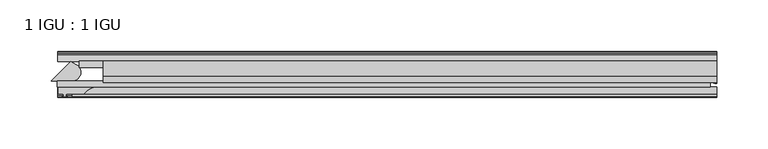
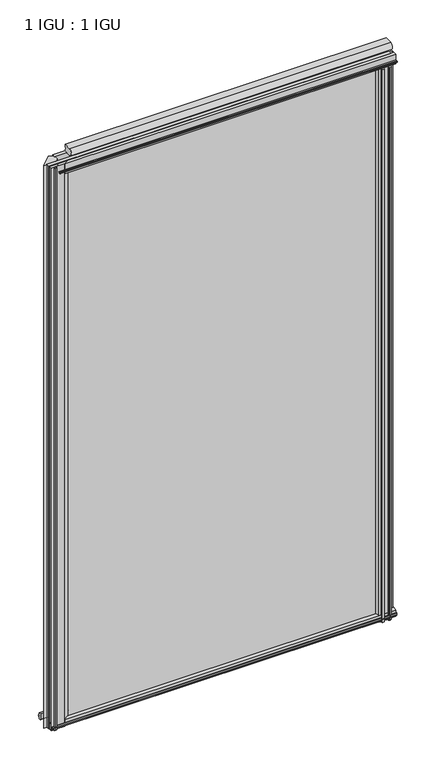
"""IFC4 building model written with IfcOpenShell, lengths in millimetres: plate geometry, 1 IGU : 1 IGU."""

from ifc_helpers import new_model, si_unit, point, frame, frame_2d, origin, place, context, project, spatial, polyline, circle_curve, ellipse_curve, trimmed, segment, composite_curve, outline, extrude, source, transform, mapped, element, save
from ifc_brep_helpers import plane_surface, cylinder_surface, revolved_surface, extruded_surface, advanced_brep


def plate_1_igu_1_igu_a3791db0(model_context):
    return source(origin(), model_context, "Body", "SolidModel", [
        extrude(outline(polyline([(-321.2703124, -38.6468937), (314.3249999, -38.6468937), (314.3249999, -44.9460938), (-321.2703124, -44.9460938), (-321.2703124, -38.6468937)])), frame((0.0, 0.0, -12.7), z_axis=(0.0, 0.0, 1.0), x_axis=(1.0, 0.0, 0.0)), (0.0, 0.0, 1.0), 1106.5764186),
        extrude(outline(polyline([(-299.9382812, -19.5460937), (314.3249999, -19.5460937), (314.3249999, -25.8960938), (-299.9382812, -25.8960938), (-299.9382812, -19.5460937)])), frame((0.0, 0.0, -12.7), z_axis=(0.0, 0.0, 1.0), x_axis=(1.0, 0.0, 0.0)), (0.0, 0.0, 1.0), 1106.5764186),
        extrude(outline(composite_curve([segment(trimmed(circle_curve(frame_2d((-306.7623353, -30.324123)), 8.3601973), [point((-300.5949226, -24.6800183))], [point((-305.9721541, -38.6468937))], False, "CARTESIAN"), True, "CONTINUOUS"), segment(polyline([(-305.9721541, -38.6468937), (-327.0757999, -38.6468937), (-308.3468028, -19.9178967), (-303.54423, -22.8189613)]), True, "CONTINUOUS"), segment(trimmed(circle_curve(frame_2d((-305.8354261, -29.7174148)), 7.2689917), [point((-303.54423, -22.8189613))], [point((-300.5949226, -24.6800183))], False, "CARTESIAN"), True, "CONTINUOUS")], self_intersect=False)), frame((0.0, 0.0, -12.7), z_axis=(0.0, 0.0, 1.0), x_axis=(1.0, 0.0, 0.0)), (0.0, 0.0, 1.0), 1106.5764186),
        advanced_brep(
        [(320.6749999, -21.1709383, -12.4587), (320.6749999, -41.5384061, -12.4587), (313.1526628, -32.2460938, -12.4587), (314.3249999, -25.8452938, -12.4587), (314.3249999, -19.5460938, -12.4587), (320.6749999, -21.1709383, 1093.8764186), (314.3249999, -19.5460938, 1093.8764186), (314.3249999, -25.8452938, 1093.8764186), (313.1526628, -32.2460938, 1093.8764186), (320.6749999, -41.5384061, 1093.8764186)],
        [
            (0, 1),
            (1, 2, ellipse_curve(frame((320.6749999, -32.2460938, -12.4587), z_axis=(0.0, 0.0, -1.0), x_axis=(0.0, -1.0, 0.0)), 9.2923124, 7.5223371)),
            (2, 3, circle_curve(frame((331.2125763, -32.2460938, -12.4587), z_axis=(0.0, 0.0, -1.0), x_axis=(1.0, 0.0, 0.0)), 18.0599135)),
            (3, 4),
            (4, 0, circle_curve(frame((320.6749999, -7.950406, -12.4587), z_axis=(0.0, 0.0, 1.0), x_axis=(1.0, 0.0, 0.0)), 13.2205323)),
            (5, 6, circle_curve(frame((320.6749999, -7.950406, 1093.8764186), z_axis=(0.0, 0.0, -1.0), x_axis=(1.0, 0.0, 0.0)), 13.2205323)),
            (6, 7),
            (7, 8, circle_curve(frame((331.2125763, -32.2460938, 1093.8764186), z_axis=(0.0, 0.0, 1.0), x_axis=(1.0, 0.0, 0.0)), 18.0599135)),
            (8, 9, ellipse_curve(frame((320.6749999, -32.2460938, 1093.8764186), z_axis=(0.0, 0.0, 1.0), x_axis=(0.0, -1.0, 0.0)), 9.2923124, 7.5223371)),
            (9, 5),
            (1, 9),
            (8, 2),
            (7, 3),
            (6, 4),
            (5, 0),
        ],
        [
            plane_surface(frame((320.6749999, -13.1960938, -12.4587), z_axis=(0.0, 0.0, -1.0), x_axis=(0.0, 1.0, 0.0))),
            plane_surface(frame((320.6749999, -13.1960938, 1093.8764186), z_axis=(0.0, 0.0, 1.0), x_axis=(0.0, 1.0, 0.0))),
            extruded_surface(trimmed(ellipse_curve(frame((320.6749999, -32.2460938, 1093.8764186), z_axis=(0.0, 0.0, -1.0), x_axis=(0.0, -1.0, 0.0)), 9.2923124, 7.5223371), [point((320.6749999, -41.5384061, 1093.8764186))], [point((313.1526628, -32.2460938, 1093.8764186))], True, "CARTESIAN"), (0.0, 0.0, -1106.3351186), 1106.3351186),
            cylinder_surface(frame((331.2125763, -32.2460938, -12.4587), z_axis=(0.0, 0.0, -1.0), x_axis=(1.0, 0.0, 0.0)), 18.0599135),
            plane_surface(frame((314.3249999, -25.8452938, -12.4587), z_axis=(-1.0, 0.0, 0.0), x_axis=(0.0, 0.0, 1.0))),
            revolved_surface(polyline([(333.8955322, -7.950406, 1093.8764186), (333.8955322, -7.950406, -12.4587)]), (320.6749999, -7.950406, -12.4587), (0.0, 0.0, 1.0)),
            plane_surface(frame((320.6749999, -21.1709383, -12.4587), z_axis=(1.0, 0.0, 0.0), x_axis=(0.0, 0.0, 1.0))),
        ],
        [
            (0, [[1, 2, 3, 4, 5]]),
            (1, [[6, 7, 8, 9, 10]]),
            (2, [[-2, 11, -9, 12]]),
            (3, [[-3, -12, -8, 13]]),
            (4, [[-4, -13, -7, 14]]),
            (5, [[-5, -14, -6, 15]]),
            (6, [[-1, -15, -10, -11]]),
        ],
    ),
        extrude(outline(composite_curve([segment(polyline([(-320.3656597, -44.9460937), (-285.0054921, -44.9460937)]), True, "CONTINUOUS"), segment(trimmed(circle_curve(frame_2d((-281.8166559, -61.7346627)), 17.0887309), [point((-285.0054921, -44.9460937))], [point((-295.3466597, -51.2960937))], True, "CARTESIAN"), True, "CONTINUOUS"), segment(polyline([(-295.3466597, -51.2960937), (-312.7456597, -51.2960937), (-313.0631597, -53.4006957), (-311.8445538, -53.0741712), (-311.6407597, -53.8347412), (-314.0156597, -54.4710937), (-316.3905597, -53.8347412), (-316.1867656, -53.0741712), (-314.9681597, -53.4006957), (-315.2856597, -51.2960937), (-320.3656597, -51.2960937), (-320.3656597, -44.9460937)]), True, "CONTINUOUS")], self_intersect=False)), frame((0.0, 0.0, -12.4587), z_axis=(0.0, 0.0, 1.0), x_axis=(1.0, 0.0, 0.0)), (0.0, 0.0, 1.0), 1106.0938187),
        extrude(outline(polyline([(-44.9460937, 1.7177181), (-44.9460937, -9.1036578), (-48.3496937, -11.938), (-51.2960937, -11.938), (-51.2960937, -7.493), (-53.6762907, -7.112), (-53.2163575, -8.5275291), (-54.0175717, -8.5275291), (-54.7250937, -6.35), (-54.0175717, -4.1724709), (-53.2163575, -4.1724709), (-53.6762907, -5.588), (-51.2960937, -5.207), (-51.2960937, 0.0), (-44.9460937, 1.7177181)])), frame((-320.6749999, 0.0, 0.0), z_axis=(1.0, 0.0, 0.0), x_axis=(0.0, 1.0, 0.0)), (0.0, 0.0, 1.0), 641.3499998),
        extrude(outline(polyline([(-13.1960937, -12.4587), (-16.1424937, -12.4587), (-19.5460937, -9.6243578), (-19.5460937, 1.1970181), (-13.1960937, -0.5207), (-13.1960937, -5.7277), (-10.8158968, -6.1087), (-11.27583, -4.6931709), (-10.4746158, -4.6931709), (-9.7670937, -6.8707), (-10.4746158, -9.0482291), (-11.27583, -9.0482291), (-10.8158968, -7.6327), (-13.1960937, -8.0137), (-13.1960937, -12.4587)])), frame((-320.6749999, 0.0, 0.0), z_axis=(1.0, 0.0, 0.0), x_axis=(0.0, 1.0, 0.0)), (0.0, 0.0, 1.0), 641.3499998),
        extrude(outline(composite_curve([segment(polyline([(-44.9380025, 1074.7385163), (-51.2960937, 1074.7385163), (-51.2960937, 1079.5645163), (-54.1955564, 1079.5645163), (-54.8194621, 1080.5418087)]), True, "CONTINUOUS"), segment(trimmed(circle_curve(frame_2d((-53.9630937, 1081.0885163)), 1.016), [point((-54.8194621, 1080.5418087))], [point((-54.8194621, 1081.6352239))], False, "CARTESIAN"), True, "CONTINUOUS"), segment(polyline([(-54.8194621, 1081.6352239), (-54.1955564, 1082.6125163), (-51.2878033, 1082.6125163), (-51.2916866, 1093.7771998), (-44.9380025, 1093.7771998), (-44.9380025, 1074.7385163)]), True, "CONTINUOUS")], self_intersect=False)), frame((-306.730575, 0.0, 0.0), z_axis=(1.0, 0.0, 0.0), x_axis=(0.0, 1.0, 0.0)), (0.0, 0.0, 1.0), 627.4055749),
        extrude(outline(composite_curve([segment(polyline([(311.1500001, -44.9460938), (311.1500001, -51.2960938), (309.4990001, -51.2960938), (309.4990001, -52.9470938), (310.5766308, -52.9470938)]), True, "CONTINUOUS"), segment(trimmed(circle_curve(frame_2d((309.4990001, -52.9470938)), 1.0776307), [point((310.5766308, -52.9470938))], [point((310.2610001, -53.7090938))], False, "CARTESIAN"), True, "CONTINUOUS"), segment(polyline([(310.2610001, -53.7090938), (308.5217077, -54.8194621)]), True, "CONTINUOUS"), segment(trimmed(circle_curve(frame_2d((307.9750001, -53.9630938)), 1.016), [point((308.5217077, -54.8194621))], [point((307.4282925, -54.8194621))], False, "CARTESIAN"), True, "CONTINUOUS"), segment(polyline([(307.4282925, -54.8194621), (305.6890001, -53.7090938)]), True, "CONTINUOUS"), segment(trimmed(circle_curve(frame_2d((306.4510001, -52.9470938)), 1.0776307), [point((305.6890001, -53.7090938))], [point((305.3733693, -52.9470938))], False, "CARTESIAN"), True, "CONTINUOUS"), segment(polyline([(305.3733693, -52.9470938), (306.4510001, -52.9470938), (306.4510001, -51.2960938), (297.3832001, -51.2960938)]), True, "CONTINUOUS"), segment(trimmed(circle_curve(frame_2d((297.3832001, -51.7532938)), 0.4572), [point((297.3832001, -51.2960938))], [point((297.0443822, -52.0602698))], True, "CARTESIAN"), True, "CONTINUOUS"), segment(trimmed(circle_curve(frame_2d((295.2750001, -53.663367)), 2.3876), [point((297.0443822, -52.0602698))], [point((297.3456431, -54.8520938))], False, "CARTESIAN"), True, "CONTINUOUS"), segment(polyline([(297.3456431, -54.8520938), (293.2043571, -54.8520938)]), True, "CONTINUOUS"), segment(trimmed(circle_curve(frame_2d((295.2750001, -53.663367)), 2.3876), [point((293.2043571, -54.8520938))], [point((293.5056179, -52.0602698))], False, "CARTESIAN"), True, "CONTINUOUS"), segment(trimmed(circle_curve(frame_2d((293.1668001, -51.7532938)), 0.4572), [point((293.5056179, -52.0602698))], [point((293.1668001, -51.2960938))], True, "CARTESIAN"), True, "CONTINUOUS"), segment(polyline([(293.1668001, -51.2960938), (288.9250001, -51.2960938)]), True, "CONTINUOUS"), segment(trimmed(circle_curve(frame_2d((279.9090686, -51.9750196)), 9.0414579), [point((288.9250001, -51.2960938))], [point((285.5960855, -44.9460938))], True, "CARTESIAN"), True, "CONTINUOUS"), segment(polyline([(285.5960855, -44.9460938), (311.1500001, -44.9460938)]), True, "CONTINUOUS")], self_intersect=False)), frame((0.0, 0.0, -12.7), z_axis=(0.0, 0.0, 1.0), x_axis=(1.0, 0.0, 0.0)), (0.0, 0.0, 1.0), 1087.5264186),
        extrude(outline(composite_curve([segment(trimmed(circle_curve(frame_2d((-9.2245666, 1100.1899978)), 12.1106873), [point((-19.5460937, 1106.525203))], [point((-19.5460937, 1093.8547926))], True, "CARTESIAN"), True, "CONTINUOUS"), segment(polyline([(-19.5460937, 1093.8547926), (-33.8757421, 1093.8547926)]), True, "CONTINUOUS"), segment(trimmed(circle_curve(frame_2d((-33.8757421, 1100.1899978)), 6.3352052), [point((-33.8757421, 1093.8547926))], [point((-33.8757421, 1106.525203))], False, "CARTESIAN"), True, "CONTINUOUS"), segment(polyline([(-33.8757421, 1106.525203), (-19.5460937, 1106.525203)]), True, "CONTINUOUS")], self_intersect=False)), frame((-276.7210937, 0.0, 0.0), z_axis=(1.0, 0.0, 0.0), x_axis=(0.0, 1.0, 0.0)), (0.0, 0.0, 1.0), 597.3960936),
    ])


if __name__ == "__main__":
    model = new_model("IFC4")
    model_context = context("Model", 3, world=origin())
    ifc_project = project(units=[si_unit("LENGTHUNIT", "METRE", prefix="MILLI")], contexts=[model_context])
    site = spatial("IfcSite", under=ifc_project)
    building = spatial("IfcBuilding", under=site)
    placement = place(None, origin())
    plate_1_igu_1_igu_shape = plate_1_igu_1_igu_a3791db0(model_context)
    element("IfcPlate", 1, ObjectType="1 IGU : 1 IGU", at=placement, inside=building, context=model_context, shape_type="MappedRepresentation", body=[
        mapped(plate_1_igu_1_igu_shape, transform((0.0, 0.0, 0.0), x_axis=(1.0, 0.0, 0.0), y_axis=(0.0, 1.0, 0.0), z_axis=(0.0, 0.0, 1.0))),
    ])
    save(model, "model.ifc")
